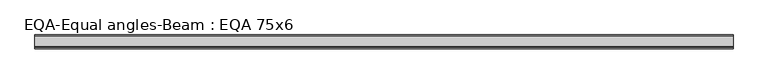
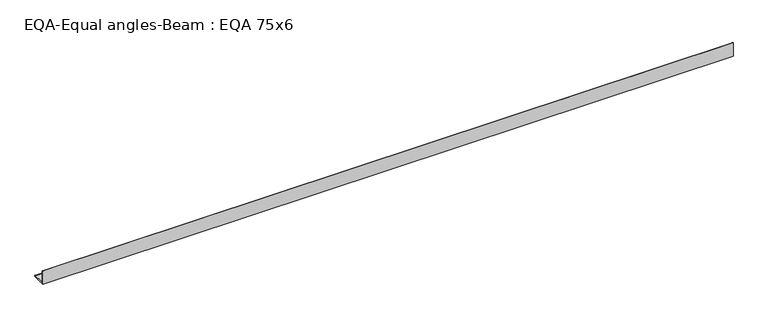
"""IFC4 building model written with IfcOpenShell, lengths in millimetres: beam geometry, EQA-Equal angles-Beam : EQA 75x6."""

from ifc_helpers import new_model, si_unit, point, frame, frame_2d, origin, place, context, project, spatial, polyline, circle_curve, trimmed, segment, composite_curve, outline, extrude, source, transform, mapped, element, save


def eqa_equal_angles_beam_eqa_75x6_28d36a16(model_context):
    return source(origin(), model_context, "Body", "SweptSolid", [
        extrude(outline(composite_curve([segment(polyline([(-20.5, -20.5), (-20.5, 54.5), (-19.0, 54.5)]), True, "CONTINUOUS"), segment(trimmed(circle_curve(frame_2d((-19.0, 50.0)), 4.5), [point((-19.0, 54.5))], [point((-14.5, 50.0))], False, "CARTESIAN"), True, "CONTINUOUS"), segment(polyline([(-14.5, 50.0), (-14.5, -5.5)]), True, "CONTINUOUS"), segment(trimmed(circle_curve(frame_2d((-5.5, -5.5)), 9.0), [point((-14.5, -5.5))], [point((-5.5, -14.5))], True, "CARTESIAN"), True, "CONTINUOUS"), segment(polyline([(-5.5, -14.5), (50.0, -14.5)]), True, "CONTINUOUS"), segment(trimmed(circle_curve(frame_2d((50.0, -19.0)), 4.5), [point((50.0, -14.5))], [point((54.5, -19.0))], False, "CARTESIAN"), True, "CONTINUOUS"), segment(polyline([(54.5, -19.0), (54.5, -20.5), (-20.5, -20.5)]), True, "CONTINUOUS")], self_intersect=False)), frame((-1917.4611628, 0.0, 0.0), z_axis=(1.0, 0.0, 0.0), x_axis=(0.0, 1.0, 0.0)), (0.0, 0.0, 1.0), 3725.7492415),
    ])


if __name__ == "__main__":
    model = new_model("IFC4")
    model_context = context("Model", 3, world=origin())
    ifc_project = project(units=[si_unit("LENGTHUNIT", "METRE", prefix="MILLI")], contexts=[model_context])
    site = spatial("IfcSite", under=ifc_project)
    building = spatial("IfcBuilding", under=site)
    placement = place(None, origin())
    eqa_equal_angles_beam_eqa_75x6_shape = eqa_equal_angles_beam_eqa_75x6_28d36a16(model_context)
    element("IfcBeam", 1, ObjectType="EQA-Equal angles-Beam : EQA 75x6", at=placement, inside=building, context=model_context, shape_type="MappedRepresentation", body=[
        mapped(eqa_equal_angles_beam_eqa_75x6_shape, transform((0.0, 0.0, 0.0), x_axis=(1.0, 0.0, 0.0), y_axis=(0.0, 1.0, 0.0), z_axis=(0.0, 0.0, 1.0))),
    ])
    save(model, "model.ifc")
